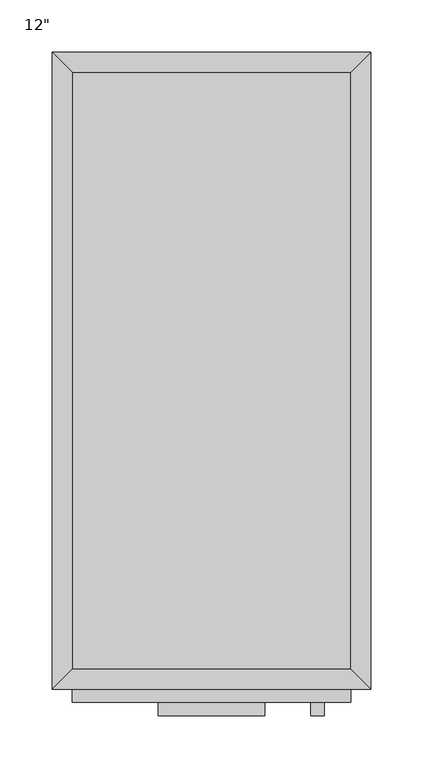
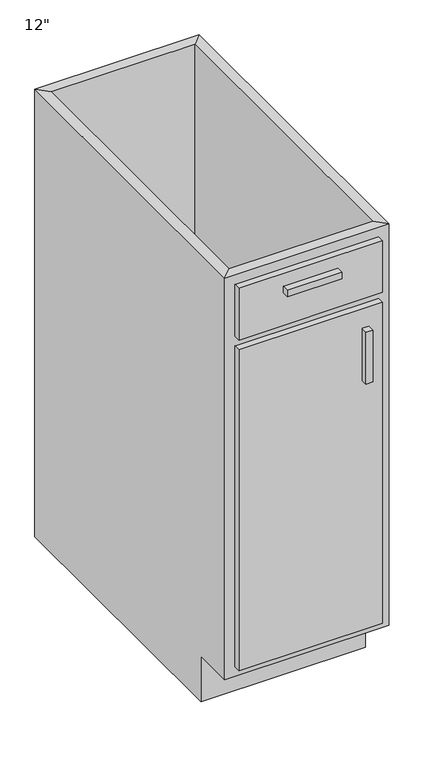
"""IFC4 building model written with IfcOpenShell, lengths in millimetres: furniture geometry."""

from ifc_helpers import new_model, si_unit, frame, origin, place, context, project, spatial, polyline, outline, extrude, faceted_brep, source, transform, mapped, element, save


def furniture_6e8794dd(model_context):
    return source(origin(), model_context, "Body", "SolidModel", [
        faceted_brep([(152.0877049, -590.55, 876.3), (152.0877049, -590.55, 88.9), (-114.6122951, -590.55, 88.9), (-114.6122951, -590.55, 876.3), (-133.6622951, -609.6, 876.3), (171.1377049, -609.6, 876.3), (-133.6622951, -609.6, 88.9), (171.1377049, -609.6, 88.9), (-114.6122951, -533.4, 88.9), (-114.6122951, -19.05, 88.9), (-114.6122951, -19.05, 876.3), (-133.6622951, 0.0, 876.3), (-133.6622951, 0.0, 0.0), (-133.6622951, -533.4, 0.0), (-133.6622951, -533.4, 88.9), (152.0877049, -19.05, 88.9), (152.0877049, -19.05, 876.3), (171.1377049, 0.0, 876.3), (171.1377049, 0.0, 0.0), (152.0877049, -533.4, 88.9), (171.1377049, -533.4, 88.9), (171.1377049, -533.4, 0.0)], [[[0, 1, 2, 3]], [[0, 3, 4, 5]], [[5, 4, 6, 7]], [[2, 1, 7, 6]], [[3, 2, 8, 9, 10]], [[4, 3, 10, 11]], [[6, 4, 11, 12, 13, 14]], [[2, 6, 14, 8]], [[10, 9, 15, 16]], [[11, 10, 16, 17]], [[12, 11, 17, 18]], [[1, 0, 16, 15, 19]], [[0, 5, 17, 16]], [[5, 7, 20, 21, 18, 17]], [[7, 1, 19, 20]], [[8, 19, 15, 9]], [[18, 21, 13, 12]], [[13, 21, 20, 19, 8, 14]]]),
        extrude(outline(polyline([(126.6877049, -635.0), (113.9877049, -635.0), (113.9877049, -622.3), (126.6877049, -622.3), (126.6877049, -635.0)])), frame((0.0, 0.0, 596.9), z_axis=(0.0, 0.0, 1.0), x_axis=(1.0, 0.0, 0.0)), (0.0, 0.0, 1.0), 101.6),
        extrude(outline(polyline([(69.5377049, -635.0), (-32.0622951, -635.0), (-32.0622951, -622.3), (69.5377049, -622.3), (69.5377049, -635.0)])), frame((0.0, 0.0, 819.15), z_axis=(0.0, 0.0, 1.0), x_axis=(1.0, 0.0, 0.0)), (0.0, 0.0, 1.0), 12.7),
        extrude(outline(polyline([(152.0877049, -622.3), (-114.6122951, -622.3), (-114.6122951, -609.6), (152.0877049, -609.6), (152.0877049, -622.3)])), frame((0.0, 0.0, 107.95), z_axis=(0.0, 0.0, 1.0), x_axis=(1.0, 0.0, 0.0)), (0.0, 0.0, 1.0), 628.65),
        extrude(outline(polyline([(152.0877049, -622.3), (-114.6122951, -622.3), (-114.6122951, -609.6), (152.0877049, -609.6), (152.0877049, -622.3)])), frame((0.0, 0.0, 755.65), z_axis=(0.0, 0.0, 1.0), x_axis=(1.0, 0.0, 0.0)), (0.0, 0.0, 1.0), 101.6),
        extrude(outline(polyline([(152.0877049, -19.05), (152.0877049, -590.55), (-114.6122951, -590.55), (-114.6122951, -19.05), (152.0877049, -19.05)])), frame((0.0, 0.0, 88.9), z_axis=(0.0, 0.0, 1.0), x_axis=(1.0, 0.0, 0.0)), (0.0, 0.0, 1.0), 19.05),
    ])


if __name__ == "__main__":
    model = new_model("IFC4")
    model_context = context("Model", 3, world=origin())
    ifc_project = project(units=[si_unit("LENGTHUNIT", "METRE", prefix="MILLI")], contexts=[model_context])
    site = spatial("IfcSite", under=ifc_project)
    building = spatial("IfcBuilding", under=site)
    placement = place(None, origin())
    furniture_shape = furniture_6e8794dd(model_context)
    element("IfcFurniture", 1, ObjectType="12\"", at=placement, inside=building, context=model_context, shape_type="MappedRepresentation", body=[
        mapped(furniture_shape, transform((0.0, 0.0, 0.0), x_axis=(1.0, 0.0, 0.0), y_axis=(0.0, 1.0, 0.0), z_axis=(0.0, 0.0, 1.0))),
    ])
    save(model, "model.ifc")
